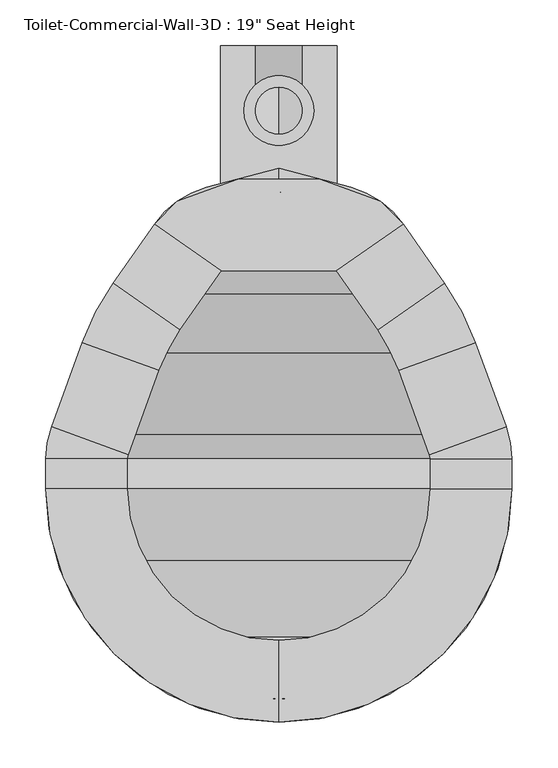
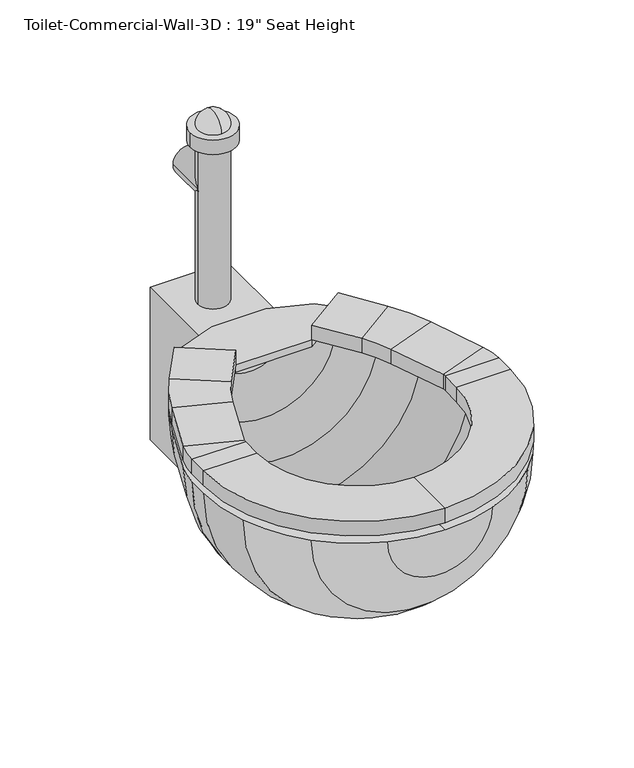
"""IFC4 building model written with IfcOpenShell, lengths in millimetres: flow terminal geometry."""

from ifc_helpers import new_model, si_unit, point, frame, frame_2d, origin, place, context, project, spatial, polyline, circle_curve, ellipse_curve, trimmed, segment, composite_curve, outline, extrude, source, transform, mapped, element, save
from ifc_brep_helpers import plane_surface, cylinder_surface, revolved_surface, advanced_brep


def flow_terminal_96e36c5f(model_context):
    return source(origin(), model_context, "Body", "SolidModel", [
        extrude(outline(polyline([(467.7541169, -346.6347495), (342.0521907, -346.6347495), (269.229574, -295.6438043), (294.1800557, -270.6933226), (360.2423986, -246.6485961), (449.563909, -246.6485961), (515.6262519, -270.6933226), (540.5767337, -295.6438043), (467.7541169, -346.6347495)])), frame((0.0, 0.0, 444.5), z_axis=(0.0, 0.0, 1.0), x_axis=(1.0, 0.0, 0.0)), (0.0, 0.0, 1.0), 12.7),
        advanced_brep(
        [(467.7541169, -346.6347495, 457.2), (467.7541169, -346.6347495, 482.6), (540.5767337, -295.6438043, 482.6), (540.5767337, -295.6438043, 457.2), (585.6810159, -360.0593951, 457.2), (512.8583992, -411.0503403, 457.2), (585.6810159, -360.0593951, 482.6), (512.8583992, -411.0503403, 482.6), (619.360053, -424.7562234, 457.2), (535.821379, -455.1618141, 457.2), (619.360053, -424.7562234, 482.6), (535.821379, -455.1618141, 482.6), (652.7759241, -516.5655747, 457.2), (569.2372501, -546.9711654, 457.2), (652.7759241, -516.5655747, 482.6), (569.2372501, -546.9711654, 482.6), (658.9031538, -551.3148212, 457.2), (570.0031538, -551.3148212, 457.2), (658.9031538, -551.3148212, 482.6), (570.0031538, -551.3148212, 482.6), (658.9031538, -584.2, 457.2), (570.0031538, -584.2, 457.2), (658.9031538, -584.2, 482.6), (570.0031538, -584.2, 482.6), (404.9031538, -838.2, 457.2), (404.9031538, -749.3, 457.2), (404.9031538, -838.2, 482.6), (404.9031538, -749.3, 482.6), (150.9031538, -584.2, 457.2), (239.8031538, -584.2, 457.2), (150.9031538, -584.2, 482.6), (239.8031538, -584.2, 482.6), (150.9031538, -551.3148212, 457.2), (239.8031538, -551.3148212, 457.2), (150.9031538, -551.3148212, 482.6), (239.8031538, -551.3148212, 482.6), (157.0303835, -516.5655747, 457.2), (240.5690575, -546.9711654, 457.2), (157.0303835, -516.5655747, 482.6), (240.5690575, -546.9711654, 482.6), (190.4462546, -424.7562234, 457.2), (273.9849286, -455.1618141, 457.2), (190.4462546, -424.7562234, 482.6), (273.9849286, -455.1618141, 482.6), (224.1252917, -360.0593951, 457.2), (296.9479084, -411.0503403, 457.2), (224.1252917, -360.0593951, 482.6), (296.9479084, -411.0503403, 482.6), (342.0521907, -346.6347495, 457.2), (269.229574, -295.6438043, 457.2), (269.229574, -295.6438043, 482.6), (342.0521907, -346.6347495, 482.6)],
        [
            (0, 1),
            (1, 2),
            (2, 3),
            (3, 0),
            (3, 4),
            (4, 5),
            (5, 0),
            (2, 6),
            (6, 4),
            (1, 7),
            (7, 6),
            (5, 7),
            (8, 9),
            (9, 5, circle_curve(frame((356.8099347, -520.3166514, 457.2), z_axis=(0.0, 0.0, 1.0), x_axis=(0.81915204428899, 0.5735764363510486, 0.0)), 190.5)),
            (4, 8, circle_curve(frame((356.8099347, -520.3166514, 457.2), z_axis=(0.0, 0.0, -1.0), x_axis=(0.81915204428899, 0.5735764363510486, 0.0)), 279.4)),
            (10, 8),
            (6, 10, circle_curve(frame((356.8099347, -520.3166514, 482.6), z_axis=(0.0, 0.0, -1.0), x_axis=(0.81915204428899, 0.5735764363510486, 0.0)), 279.4)),
            (11, 10),
            (7, 11, circle_curve(frame((356.8099347, -520.3166514, 482.6), z_axis=(0.0, 0.0, -1.0), x_axis=(0.81915204428899, 0.5735764363510486, 0.0)), 190.5)),
            (9, 11),
            (8, 12),
            (12, 13),
            (13, 9),
            (10, 14),
            (14, 12),
            (11, 15),
            (15, 14),
            (13, 15),
            (16, 17),
            (17, 13, circle_curve(frame((557.3031538, -551.3148212, 457.2), z_axis=(0.0, 0.0, 1.0), x_axis=(0.939692620785906, 0.34202014332567526, 0.0)), 12.7)),
            (12, 16, circle_curve(frame((557.3031538, -551.3148212, 457.2), z_axis=(0.0, 0.0, -1.0), x_axis=(0.939692620785906, 0.34202014332567526, 0.0)), 101.6)),
            (18, 16),
            (14, 18, circle_curve(frame((557.3031538, -551.3148212, 482.6), z_axis=(0.0, 0.0, -1.0), x_axis=(0.939692620785906, 0.34202014332567526, 0.0)), 101.6)),
            (19, 18),
            (15, 19, circle_curve(frame((557.3031538, -551.3148212, 482.6), z_axis=(0.0, 0.0, -1.0), x_axis=(0.939692620785906, 0.34202014332567526, 0.0)), 12.7)),
            (17, 19),
            (16, 20),
            (20, 21),
            (21, 17),
            (18, 22),
            (22, 20),
            (19, 23),
            (23, 22),
            (21, 23),
            (24, 25),
            (25, 21, circle_curve(frame((404.9031538, -584.2, 457.2), z_axis=(0.0, 0.0, 1.0), x_axis=(1.0, 0.0, 0.0)), 165.1)),
            (20, 24, circle_curve(frame((404.9031538, -584.2, 457.2), z_axis=(0.0, 0.0, -1.0), x_axis=(1.0, 0.0, 0.0)), 254.0)),
            (26, 24),
            (22, 26, circle_curve(frame((404.9031538, -584.2, 482.6), z_axis=(0.0, 0.0, -1.0), x_axis=(1.0, 0.0, 0.0)), 254.0)),
            (27, 26),
            (23, 27, circle_curve(frame((404.9031538, -584.2, 482.6), z_axis=(0.0, 0.0, -1.0), x_axis=(1.0, 0.0, 0.0)), 165.1)),
            (25, 27),
            (28, 29),
            (29, 25, circle_curve(frame((404.9031538, -584.2, 457.2), z_axis=(0.0, 0.0, 1.0), x_axis=(0.0, -1.0, 0.0)), 165.1)),
            (24, 28, circle_curve(frame((404.9031538, -584.2, 457.2), z_axis=(0.0, 0.0, -1.0), x_axis=(0.0, -1.0, 0.0)), 254.0)),
            (30, 28),
            (26, 30, circle_curve(frame((404.9031538, -584.2, 482.6), z_axis=(0.0, 0.0, -1.0), x_axis=(0.0, -1.0, 0.0)), 254.0)),
            (31, 30),
            (27, 31, circle_curve(frame((404.9031538, -584.2, 482.6), z_axis=(0.0, 0.0, -1.0), x_axis=(0.0, -1.0, 0.0)), 165.1)),
            (29, 31),
            (28, 32),
            (32, 33),
            (33, 29),
            (30, 34),
            (34, 32),
            (31, 35),
            (35, 34),
            (33, 35),
            (36, 37),
            (37, 33, circle_curve(frame((252.5031538, -551.3148212, 457.2), z_axis=(0.0, 0.0, 1.0), x_axis=(-1.0, 0.0, 0.0)), 12.7)),
            (32, 36, circle_curve(frame((252.5031538, -551.3148212, 457.2), z_axis=(0.0, 0.0, -1.0), x_axis=(-1.0, 0.0, 0.0)), 101.6)),
            (38, 36),
            (34, 38, circle_curve(frame((252.5031538, -551.3148212, 482.6), z_axis=(0.0, 0.0, -1.0), x_axis=(-1.0, 0.0, 0.0)), 101.6)),
            (39, 38),
            (35, 39, circle_curve(frame((252.5031538, -551.3148212, 482.6), z_axis=(0.0, 0.0, -1.0), x_axis=(-1.0, 0.0, 0.0)), 12.7)),
            (37, 39),
            (36, 40),
            (40, 41),
            (41, 37),
            (38, 42),
            (42, 40),
            (39, 43),
            (43, 42),
            (41, 43),
            (44, 45),
            (45, 41, circle_curve(frame((452.9963729, -520.3166514, 457.2), z_axis=(0.0, 0.0, 1.0), x_axis=(-0.9396926207859088, 0.34202014332566766, 0.0)), 190.5)),
            (40, 44, circle_curve(frame((452.9963729, -520.3166514, 457.2), z_axis=(0.0, 0.0, -1.0), x_axis=(-0.9396926207859088, 0.34202014332566766, 0.0)), 279.4)),
            (46, 44),
            (42, 46, circle_curve(frame((452.9963729, -520.3166514, 482.6), z_axis=(0.0, 0.0, -1.0), x_axis=(-0.9396926207859088, 0.34202014332566766, 0.0)), 279.4)),
            (47, 46),
            (43, 47, circle_curve(frame((452.9963729, -520.3166514, 482.6), z_axis=(0.0, 0.0, -1.0), x_axis=(-0.9396926207859088, 0.34202014332566766, 0.0)), 190.5)),
            (45, 47),
            (48, 49),
            (49, 50),
            (50, 51),
            (51, 48),
            (44, 49),
            (48, 45),
            (46, 50),
            (47, 51),
        ],
        [
            plane_surface(frame((540.5767337, -295.6438043, 541.2203184), z_axis=(-0.5735764363510383, 0.8191520442889972, 0.0), x_axis=(0.8191520442889972, 0.5735764363510383, 0.0))),
            plane_surface(frame((467.7541169, -346.6347495, 457.2), z_axis=(0.0, 0.0, -1.0000000000000002), x_axis=(0.5735764363510385, -0.8191520442889972, 0.0))),
            plane_surface(frame((540.5767337, -295.6438043, 457.2), z_axis=(0.8191520442889972, 0.5735764363510385, 0.0), x_axis=(0.5735764363510385, -0.8191520442889972, 0.0))),
            plane_surface(frame((540.5767337, -295.6438043, 482.6), z_axis=(0.0, 0.0, 1.0), x_axis=(0.5735764363510377, -0.8191520442889978, 0.0))),
            plane_surface(frame((467.7541169, -346.6347495, 482.6), z_axis=(-0.8191520442889979, -0.5735764363510375, 0.0), x_axis=(0.5735764363510375, -0.8191520442889979, 0.0))),
            plane_surface(frame((356.8099347, -520.3166514, 457.2), z_axis=(0.0, 0.0, -1.0), x_axis=(0.81915204428899, 0.5735764363510486, 0.0))),
            cylinder_surface(frame((356.8099347, -520.3166514, 444.5), z_axis=(0.0, 0.0, 1.0), x_axis=(0.81915204428899, 0.5735764363510486, 0.0)), 279.4),
            plane_surface(frame((356.8099347, -520.3166514, 482.6), z_axis=(0.0, 0.0, 1.0), x_axis=(0.81915204428899, 0.5735764363510486, 0.0))),
            revolved_surface(polyline([(512.8583991370526, -411.0503402751252, 482.6), (512.8583991370526, -411.0503402751252, 457.2)]), (356.8099347, -520.3166514, 444.5), (0.0, 0.0, 1.0)),
            plane_surface(frame((535.821379, -455.1618141, 457.2), z_axis=(0.0, 0.0, -1.0), x_axis=(0.3420201433256639, -0.9396926207859102, 0.0))),
            plane_surface(frame((619.360053, -424.7562234, 457.2), z_axis=(0.9396926207859106, 0.3420201433256625, 0.0), x_axis=(0.3420201433256625, -0.9396926207859106, 0.0))),
            plane_surface(frame((619.360053, -424.7562234, 482.6), z_axis=(0.0, 0.0, 1.0), x_axis=(0.3420201433256625, -0.9396926207859106, 0.0))),
            plane_surface(frame((535.821379, -455.1618141, 482.6), z_axis=(-0.9396926207859106, -0.3420201433256626, 0.0), x_axis=(0.3420201433256626, -0.9396926207859106, 0.0))),
            plane_surface(frame((557.3031538, -551.3148212, 457.2), z_axis=(0.0, 0.0, -1.0), x_axis=(0.939692620785906, 0.34202014332567526, 0.0))),
            cylinder_surface(frame((557.3031538, -551.3148212, 444.5), z_axis=(0.0, 0.0, 1.0), x_axis=(0.939692620785906, 0.34202014332567526, 0.0)), 101.6),
            plane_surface(frame((557.3031538, -551.3148212, 482.6), z_axis=(0.0, 0.0, 1.0), x_axis=(0.939692620785906, 0.34202014332567526, 0.0))),
            revolved_surface(polyline([(569.237250083981, -546.9711653797639, 482.6), (569.237250083981, -546.9711653797639, 457.2)]), (557.3031538, -551.3148212, 444.5), (0.0, 0.0, 1.0)),
            plane_surface(frame((570.0031538, -551.3148212, 457.2), z_axis=(0.0, 0.0, -1.0), x_axis=(0.0, -1.0, 0.0))),
            plane_surface(frame((658.9031538, -551.3148212, 457.2), z_axis=(1.0, 0.0, 0.0), x_axis=(0.0, -1.0, 0.0))),
            plane_surface(frame((658.9031538, -551.3148212, 482.6), z_axis=(0.0, 0.0, 1.0), x_axis=(0.0, -1.0, 0.0))),
            plane_surface(frame((570.0031538, -551.3148212, 482.6), z_axis=(-1.0, 0.0, 0.0), x_axis=(0.0, -1.0, 0.0))),
            plane_surface(frame((404.9031538, -584.2, 457.2), z_axis=(0.0, 0.0, -1.0), x_axis=(1.0, 0.0, 0.0))),
            cylinder_surface(frame((404.9031538, -584.2, 444.5), z_axis=(0.0, 0.0, 1.0), x_axis=(1.0, 0.0, 0.0)), 254.0),
            plane_surface(frame((404.9031538, -584.2, 482.6), z_axis=(0.0, 0.0, 1.0), x_axis=(1.0, 0.0, 0.0))),
            revolved_surface(polyline([(570.0031538, -584.2, 482.6), (570.0031538, -584.2, 457.2)]), (404.9031538, -584.2, 444.5), (0.0, 0.0, 1.0)),
            plane_surface(frame((404.9031538, -584.2, 457.2), z_axis=(0.0, 0.0, -1.0), x_axis=(0.0, -1.0, 0.0))),
            cylinder_surface(frame((404.9031538, -584.2, 444.5), z_axis=(0.0, 0.0, 1.0), x_axis=(0.0, -1.0, 0.0)), 254.0),
            plane_surface(frame((404.9031538, -584.2, 482.6), z_axis=(0.0, 0.0, 1.0), x_axis=(0.0, -1.0, 0.0))),
            revolved_surface(polyline([(404.9031538, -749.3000000000001, 482.6), (404.9031538, -749.3000000000001, 457.2)]), (404.9031538, -584.2, 444.5), (0.0, 0.0, 1.0)),
            plane_surface(frame((239.8031538, -584.2, 457.2), z_axis=(0.0, 0.0, -1.0), x_axis=(0.0, 1.0, 0.0))),
            plane_surface(frame((150.9031538, -584.2, 457.2), z_axis=(-1.0, 0.0, 0.0), x_axis=(0.0, 1.0, 0.0))),
            plane_surface(frame((150.9031538, -584.2, 482.6), z_axis=(0.0, 0.0, 1.0), x_axis=(0.0, 1.0, 0.0))),
            plane_surface(frame((239.8031538, -584.2, 482.6), z_axis=(1.0, 0.0, 0.0), x_axis=(0.0, 1.0, 0.0))),
            plane_surface(frame((252.5031538, -551.3148212, 457.2), z_axis=(0.0, 0.0, -1.0), x_axis=(-1.0, 0.0, 0.0))),
            cylinder_surface(frame((252.5031538, -551.3148212, 444.5), z_axis=(0.0, 0.0, 1.0), x_axis=(-1.0, 0.0, 0.0)), 101.6),
            plane_surface(frame((252.5031538, -551.3148212, 482.6), z_axis=(0.0, 0.0, 1.0), x_axis=(-1.0, 0.0, 0.0))),
            revolved_surface(polyline([(239.80315380000002, -551.3148212, 482.6), (239.80315380000002, -551.3148212, 457.2)]), (252.5031538, -551.3148212, 444.5), (0.0, 0.0, 1.0)),
            plane_surface(frame((240.5690575, -546.9711654, 457.2), z_axis=(0.0, 0.0, -1.0000000000000002), x_axis=(0.34202014332565656, 0.9396926207859129, 0.0))),
            plane_surface(frame((157.0303835, -516.5655747, 457.2), z_axis=(-0.9396926207859131, 0.3420201433256559, 0.0), x_axis=(0.3420201433256559, 0.9396926207859131, 0.0))),
            plane_surface(frame((157.0303835, -516.5655747, 482.6), z_axis=(0.0, 0.0, 1.0), x_axis=(0.34202014332565644, 0.9396926207859129, 0.0))),
            plane_surface(frame((240.5690575, -546.9711654, 482.6), z_axis=(0.9396926207859131, -0.342020143325656, 0.0), x_axis=(0.342020143325656, 0.9396926207859131, 0.0))),
            plane_surface(frame((452.9963729, -520.3166514, 457.2), z_axis=(0.0, 0.0, -1.0), x_axis=(-0.9396926207859088, 0.34202014332566766, 0.0))),
            cylinder_surface(frame((452.9963729, -520.3166514, 444.5), z_axis=(0.0, 0.0, 1.0), x_axis=(-0.9396926207859088, 0.34202014332566766, 0.0)), 279.4),
            plane_surface(frame((452.9963729, -520.3166514, 482.6), z_axis=(0.0, 0.0, 1.0), x_axis=(-0.9396926207859088, 0.34202014332566766, 0.0))),
            revolved_surface(polyline([(273.98492864028435, -455.16181409646026, 482.6), (273.98492864028435, -455.16181409646026, 457.2)]), (452.9963729, -520.3166514, 444.5), (0.0, 0.0, 1.0)),
            plane_surface(frame((269.229574, -295.6438043, 347.7796816), z_axis=(0.5735764363510499, 0.8191520442889891, 0.0), x_axis=(0.8191520442889891, -0.5735764363510499, 0.0))),
            plane_surface(frame((296.9479084, -411.0503403, 457.2), z_axis=(0.0, 0.0, -1.0000000000000002), x_axis=(0.5735764363510504, 0.8191520442889889, 0.0))),
            plane_surface(frame((224.1252917, -360.0593951, 457.2), z_axis=(-0.8191520442889888, 0.5735764363510505, 0.0), x_axis=(0.5735764363510505, 0.8191520442889888, 0.0))),
            plane_surface(frame((224.1252917, -360.0593951, 482.6), z_axis=(0.0, 0.0, 1.0000000000000002), x_axis=(0.5735764363510504, 0.8191520442889889, 0.0))),
            plane_surface(frame((296.9479084, -411.0503403, 482.6), z_axis=(0.8191520442889891, -0.57357643635105, 0.0), x_axis=(0.57357643635105, 0.8191520442889891, 0.0))),
        ],
        [
            (0, [[1, 2, 3, 4]]),
            (1, [[5, 6, 7, -4]]),
            (2, [[8, 9, -5, -3]]),
            (3, [[10, 11, -8, -2]]),
            (4, [[-7, 12, -10, -1]]),
            (5, [[13, 14, -6, 15]]),
            (6, [[16, -15, -9, 17]]),
            (7, [[18, -17, -11, 19]]),
            (8, [[20, -19, -12, -14]]),
            (9, [[21, 22, 23, -13]]),
            (10, [[24, 25, -21, -16]]),
            (11, [[26, 27, -24, -18]]),
            (12, [[-23, 28, -26, -20]]),
            (13, [[29, 30, -22, 31]]),
            (14, [[32, -31, -25, 33]]),
            (15, [[34, -33, -27, 35]]),
            (16, [[36, -35, -28, -30]]),
            (17, [[37, 38, 39, -29]]),
            (18, [[40, 41, -37, -32]]),
            (19, [[42, 43, -40, -34]]),
            (20, [[-39, 44, -42, -36]]),
            (21, [[45, 46, -38, 47]]),
            (22, [[48, -47, -41, 49]]),
            (23, [[50, -49, -43, 51]]),
            (24, [[52, -51, -44, -46]]),
            (25, [[53, 54, -45, 55]]),
            (26, [[56, -55, -48, 57]]),
            (27, [[58, -57, -50, 59]]),
            (28, [[60, -59, -52, -54]]),
            (29, [[61, 62, 63, -53]]),
            (30, [[64, 65, -61, -56]]),
            (31, [[66, 67, -64, -58]]),
            (32, [[-63, 68, -66, -60]]),
            (33, [[69, 70, -62, 71]]),
            (34, [[72, -71, -65, 73]]),
            (35, [[74, -73, -67, 75]]),
            (36, [[76, -75, -68, -70]]),
            (37, [[77, 78, 79, -69]]),
            (38, [[80, 81, -77, -72]]),
            (39, [[82, 83, -80, -74]]),
            (40, [[-79, 84, -82, -76]]),
            (41, [[85, 86, -78, 87]]),
            (42, [[88, -87, -81, 89]]),
            (43, [[90, -89, -83, 91]]),
            (44, [[92, -91, -84, -86]]),
            (45, [[93, 94, 95, 96]]),
            (46, [[97, -93, 98, -85]]),
            (47, [[99, -94, -97, -88]]),
            (48, [[100, -95, -99, -90]]),
            (49, [[-98, -96, -100, -92]]),
        ],
    ),
        advanced_brep(
        [(491.7762702, -822.8819257, 444.5), (584.5082762, -763.8051224, 444.5), (643.5850795, -671.0731164, 444.5), (658.9031538, -584.2, 444.5), (658.9031538, -551.3148212, 444.5), (652.7759241, -516.5655747, 444.5), (619.360053, -424.7562234, 444.5), (585.6810159, -360.0593951, 444.5), (540.5767337, -295.6438043, 444.5), (483.6469009, -255.7811063, 444.5), (404.9031538, -234.6817829, 444.5), (404.9031538, -260.9777978, 444.5), (468.1430637, -277.9228806, 444.5), (525.0728964, -317.7855786, 444.5), (562.9565296, -371.8890139, 444.5), (596.6355667, -436.5858422, 444.5), (628.9077315, -525.2528863, 444.5), (633.5031538, -551.3148212, 444.5), (633.5031538, -584.2, 444.5), (619.7168869, -662.3858048, 444.5), (566.547764, -745.8446102, 444.5), (483.0889586, -799.0137331, 444.5), (404.9031538, -812.8, 444.5), (404.9031538, -838.2, 444.5), (318.0300374, -822.8819257, 444.5), (326.7173491, -799.0137331, 444.5), (243.2585436, -745.8446102, 444.5), (190.0894207, -662.3858048, 444.5), (176.3031538, -584.2, 444.5), (176.3031538, -551.3148212, 444.5), (180.8985761, -525.2528863, 444.5), (213.1707409, -436.5858422, 444.5), (246.849778, -371.8890139, 444.5), (284.7334112, -317.7855786, 444.5), (341.663244, -277.9228806, 444.5), (326.1594067, -255.7811063, 444.5), (269.229574, -295.6438043, 444.5), (224.1252917, -360.0593951, 444.5), (190.4462546, -424.7562234, 444.5), (157.0303835, -516.5655747, 444.5), (150.9031538, -551.3148212, 444.5), (150.9031538, -584.2, 444.5), (166.2212281, -671.0731164, 444.5), (225.2980314, -763.8051224, 444.5)],
        [
            (0, 1, circle_curve(frame((404.9031538, -584.2, 444.5), z_axis=(0.0, 0.0, 1.0), x_axis=(1.0, 0.0, 0.0)), 254.0)),
            (1, 2, circle_curve(frame((404.9031538, -584.2, 444.5), z_axis=(0.0, 0.0, 1.0), x_axis=(1.0, 0.0, 0.0)), 254.0)),
            (2, 3, circle_curve(frame((404.9031538, -584.2, 444.5), z_axis=(0.0, 0.0, 1.0), x_axis=(1.0, 0.0, 0.0)), 254.0)),
            (3, 4),
            (4, 5, circle_curve(frame((557.3031538, -551.3148212, 444.5), z_axis=(0.0, 0.0, 1.0), x_axis=(1.0, 0.0, 0.0)), 101.6)),
            (5, 6),
            (6, 7, circle_curve(frame((356.8099347, -520.3166514, 444.5), z_axis=(0.0, 0.0, 1.0), x_axis=(1.0, 0.0, 0.0)), 279.4)),
            (7, 8),
            (8, 9, circle_curve(frame((457.350886, -353.9191703, 444.5), z_axis=(0.0, 0.0, 1.0), x_axis=(1.0, 0.0, 0.0)), 101.6)),
            (9, 10),
            (10, 11),
            (11, 12),
            (12, 13, circle_curve(frame((441.8470487, -376.0609446, 444.5), z_axis=(0.0, 0.0, -1.0), x_axis=(1.0, 0.0, 0.0)), 101.6)),
            (13, 14),
            (14, 15, circle_curve(frame((334.0854485, -532.1462703, 444.5), z_axis=(0.0, 0.0, -1.0), x_axis=(1.0, 0.0, 0.0)), 279.4)),
            (15, 16),
            (16, 17, circle_curve(frame((557.3031538, -551.3148212, 444.5), z_axis=(0.0, 0.0, -1.0), x_axis=(1.0, 0.0, 0.0)), 76.2)),
            (17, 18),
            (18, 19, circle_curve(frame((404.9031538, -584.2, 444.5), z_axis=(0.0, 0.0, -1.0), x_axis=(1.0, 0.0, 0.0)), 228.6)),
            (19, 20, circle_curve(frame((404.9031538, -584.2, 444.5), z_axis=(0.0, 0.0, -1.0), x_axis=(1.0, 0.0, 0.0)), 228.6)),
            (20, 21, circle_curve(frame((404.9031538, -584.2, 444.5), z_axis=(0.0, 0.0, -1.0), x_axis=(1.0, 0.0, 0.0)), 228.6)),
            (21, 22, circle_curve(frame((404.9031538, -584.2, 444.5), z_axis=(0.0, 0.0, -1.0), x_axis=(1.0, 0.0, 0.0)), 228.6)),
            (22, 23),
            (23, 0, circle_curve(frame((404.9031538, -584.2, 444.5), z_axis=(0.0, 0.0, 1.0), x_axis=(1.0, 0.0, 0.0)), 254.0)),
            (24, 23, circle_curve(frame((404.9031538, -584.2, 444.5), z_axis=(0.0, 0.0, 1.0), x_axis=(-1.0, 0.0, 0.0)), 254.0)),
            (22, 25, circle_curve(frame((404.9031538, -584.2, 444.5), z_axis=(0.0, 0.0, -1.0), x_axis=(-1.0, 0.0, 0.0)), 228.6)),
            (25, 26, circle_curve(frame((404.9031538, -584.2, 444.5), z_axis=(0.0, 0.0, -1.0), x_axis=(-1.0, 0.0, 0.0)), 228.6)),
            (26, 27, circle_curve(frame((404.9031538, -584.2, 444.5), z_axis=(0.0, 0.0, -1.0), x_axis=(-1.0, 0.0, 0.0)), 228.6)),
            (27, 28, circle_curve(frame((404.9031538, -584.2, 444.5), z_axis=(0.0, 0.0, -1.0), x_axis=(-1.0, 0.0, 0.0)), 228.6)),
            (28, 29),
            (29, 30, circle_curve(frame((252.5031538, -551.3148212, 444.5), z_axis=(0.0, 0.0, -1.0), x_axis=(-1.0, 0.0, 0.0)), 76.2)),
            (30, 31),
            (31, 32, circle_curve(frame((475.7208592, -532.1462703, 444.5), z_axis=(0.0, 0.0, -1.0), x_axis=(-1.0, 0.0, 0.0)), 279.4)),
            (32, 33),
            (33, 34, circle_curve(frame((367.9592589, -376.0609446, 444.5), z_axis=(0.0, 0.0, -1.0), x_axis=(-1.0, 0.0, 0.0)), 101.6)),
            (34, 11),
            (10, 35),
            (35, 36, circle_curve(frame((352.4554217, -353.9191703, 444.5), z_axis=(0.0, 0.0, 1.0), x_axis=(-1.0, 0.0, 0.0)), 101.6)),
            (36, 37),
            (37, 38, circle_curve(frame((452.9963729, -520.3166514, 444.5), z_axis=(0.0, 0.0, 1.0), x_axis=(-1.0, 0.0, 0.0)), 279.4)),
            (38, 39),
            (39, 40, circle_curve(frame((252.5031538, -551.3148212, 444.5), z_axis=(0.0, 0.0, 1.0), x_axis=(-1.0, 0.0, 0.0)), 101.6)),
            (40, 41),
            (41, 42, circle_curve(frame((404.9031538, -584.2, 444.5), z_axis=(0.0, 0.0, 1.0), x_axis=(-1.0, 0.0, 0.0)), 254.0)),
            (42, 43, circle_curve(frame((404.9031538, -584.2, 444.5), z_axis=(0.0, 0.0, 1.0), x_axis=(-1.0, 0.0, 0.0)), 254.0)),
            (43, 24, circle_curve(frame((404.9031538, -584.2, 444.5), z_axis=(0.0, 0.0, 1.0), x_axis=(-1.0, 0.0, 0.0)), 254.0)),
            (24, 0, circle_curve(frame((404.9031538, -822.8819257, 444.5), z_axis=(0.0, -1.0, 0.0), x_axis=(1.0, 0.0, 0.0)), 86.8731164)),
            (21, 25, circle_curve(frame((404.9031538, -799.0137331, 444.5), z_axis=(0.0, 1.0, 0.0), x_axis=(1.0, 0.0, 0.0)), 78.1858048)),
            (20, 26, circle_curve(frame((404.9031538, -745.8446102, 444.5), z_axis=(0.0, 1.0, 0.0), x_axis=(1.0, 0.0, 0.0)), 161.6446102)),
            (19, 27, circle_curve(frame((404.9031538, -662.3858048, 444.5), z_axis=(0.0, 1.0, 0.0), x_axis=(1.0, 0.0, 0.0)), 214.8137331)),
            (18, 28, circle_curve(frame((404.9031538, -584.2, 444.5), z_axis=(0.0, 1.0, 0.0), x_axis=(1.0, 0.0, 0.0)), 228.6)),
            (17, 29, circle_curve(frame((404.9031538, -551.3148212, 444.5), z_axis=(0.0, 1.0, 0.0), x_axis=(1.0, 0.0, 0.0)), 228.6)),
            (16, 30, circle_curve(frame((404.9031538, -525.2528863, 444.5), z_axis=(0.0, 1.0, 0.0), x_axis=(1.0, 0.0, 0.0)), 224.0045777)),
            (15, 31, circle_curve(frame((404.9031538, -436.5858422, 444.5), z_axis=(0.0, 1.0, 0.0), x_axis=(1.0, 0.0, 0.0)), 191.7324129)),
            (14, 32, circle_curve(frame((404.9031538, -371.8890139, 444.5), z_axis=(0.0, 1.0, 0.0), x_axis=(1.0, 0.0, 0.0)), 158.0533758)),
            (13, 33, circle_curve(frame((404.9031538, -317.7855786, 444.5), z_axis=(0.0, 1.0, 0.0), x_axis=(1.0, 0.0, 0.0)), 120.1697426)),
            (12, 34, circle_curve(frame((404.9031538, -277.9228806, 444.5), z_axis=(0.0, 1.0, 0.0), x_axis=(1.0, 0.0, 0.0)), 63.2399099)),
            (9, 35, circle_curve(frame((404.9031538, -255.7811063, 444.5), z_axis=(0.0, 1.0, 0.0), x_axis=(1.0, 0.0, 0.0)), 78.7437471)),
            (8, 36, circle_curve(frame((404.9031538, -295.6438043, 444.5), z_axis=(0.0, 1.0, 0.0), x_axis=(1.0, 0.0, 0.0)), 135.6735798)),
            (7, 37, circle_curve(frame((404.9031538, -360.0593951, 444.5), z_axis=(0.0, 1.0, 0.0), x_axis=(1.0, 0.0, 0.0)), 180.7778621)),
            (6, 38, circle_curve(frame((404.9031538, -424.7562234, 444.5), z_axis=(0.0, 1.0, 0.0), x_axis=(1.0, 0.0, 0.0)), 214.4568992)),
            (5, 39, circle_curve(frame((404.9031538, -516.5655747, 444.5), z_axis=(0.0, 1.0, 0.0), x_axis=(1.0, 0.0, 0.0)), 247.8727703)),
            (4, 40, circle_curve(frame((404.9031538, -551.3148212, 444.5), z_axis=(0.0, 1.0, 0.0), x_axis=(1.0, 0.0, 0.0)), 254.0)),
            (3, 41, circle_curve(frame((404.9031538, -584.2, 444.5), z_axis=(0.0, 1.0, 0.0), x_axis=(1.0, 0.0, 0.0)), 254.0)),
            (2, 42, circle_curve(frame((404.9031538, -671.0731164, 444.5), z_axis=(0.0, 1.0, 0.0), x_axis=(1.0, 0.0, 0.0)), 238.6819257)),
            (1, 43, circle_curve(frame((404.9031538, -763.8051224, 444.5), z_axis=(0.0, 1.0, 0.0), x_axis=(1.0, 0.0, 0.0)), 179.6051224)),
        ],
        [
            plane_surface(frame((404.9031538, -943.4102448, 444.5), z_axis=(0.0, 0.0, 1.0), x_axis=(1.0, 0.0, 0.0))),
            plane_surface(frame((404.9031538, -943.4102448, 444.5), z_axis=(0.0, 0.0, 1.0), x_axis=(-1.0, 0.0, 0.0))),
            revolved_surface(trimmed(ellipse_curve(frame((404.9031538, -584.2, 444.5), z_axis=(0.0, 0.0, -1.0), x_axis=(1.0, 0.0, 0.0)), 254.0, 254.0), [point((491.7762702, -822.8819257, 444.5))], [point((404.9031538, -838.2, 444.5))], True, "CARTESIAN"), (404.9031538, -943.4102448, 444.5), (0.0, -1.0, 0.0)),
            revolved_surface(trimmed(ellipse_curve(frame((404.9031538, -584.2, 444.5), z_axis=(0.0, 0.0, 1.0), x_axis=(1.0, 0.0, 0.0)), 228.6, 228.6), [point((404.9031538, -812.8, 444.5))], [point((483.0889586, -799.0137331, 444.5))], True, "CARTESIAN"), (404.9031538, -943.4102448, 444.5), (0.0, -1.0, 0.0)),
            revolved_surface(trimmed(ellipse_curve(frame((404.9031538, -584.2, 444.5), z_axis=(0.0, 0.0, 1.0), x_axis=(1.0, 0.0, 0.0)), 228.6, 228.6), [point((483.0889586, -799.0137331, 444.5))], [point((566.547764, -745.8446102, 444.5))], True, "CARTESIAN"), (404.9031538, -943.4102448, 444.5), (0.0, -1.0, 0.0)),
            revolved_surface(trimmed(ellipse_curve(frame((404.9031538, -584.2, 444.5), z_axis=(0.0, 0.0, 1.0), x_axis=(1.0, 0.0, 0.0)), 228.6, 228.6), [point((566.547764, -745.8446102, 444.5))], [point((619.7168869, -662.3858048, 444.5))], True, "CARTESIAN"), (404.9031538, -943.4102448, 444.5), (0.0, -1.0, 0.0)),
            revolved_surface(trimmed(ellipse_curve(frame((404.9031538, -584.2, 444.5), z_axis=(0.0, 0.0, 1.0), x_axis=(1.0, 0.0, 0.0)), 228.6, 228.6), [point((619.7168869, -662.3858048, 444.5))], [point((633.5031538, -584.2, 444.5))], True, "CARTESIAN"), (404.9031538, -943.4102448, 444.5), (0.0, -1.0, 0.0)),
            revolved_surface(polyline([(633.5031538, -584.2, 444.5), (633.5031538, -551.3148212, 444.5)]), (404.9031538, -943.4102448, 444.5), (0.0, -1.0, 0.0)),
            revolved_surface(trimmed(ellipse_curve(frame((557.3031538, -551.3148212, 444.5), z_axis=(0.0, 0.0, 1.0), x_axis=(1.0, 0.0, 0.0)), 76.2, 76.2), [point((633.5031538, -551.3148212, 444.5))], [point((628.9077315, -525.2528863, 444.5))], True, "CARTESIAN"), (404.9031538, -943.4102448, 444.5), (0.0, -1.0, 0.0)),
            revolved_surface(polyline([(628.9077315, -525.2528863, 444.5), (596.6355667, -436.5858422, 444.5)]), (404.9031538, -943.4102448, 444.5), (0.0, -1.0, 0.0)),
            revolved_surface(trimmed(ellipse_curve(frame((334.0854485, -532.1462703, 444.5), z_axis=(0.0, 0.0, 1.0), x_axis=(1.0, 0.0, 0.0)), 279.4, 279.4), [point((596.6355667, -436.5858422, 444.5))], [point((562.9565296, -371.8890139, 444.5))], True, "CARTESIAN"), (404.9031538, -943.4102448, 444.5), (0.0, -1.0, 0.0)),
            revolved_surface(polyline([(562.9565296, -371.8890139, 444.5), (525.0728964, -317.7855786, 444.5)]), (404.9031538, -943.4102448, 444.5), (0.0, -1.0, 0.0)),
            revolved_surface(trimmed(ellipse_curve(frame((441.8470487, -376.0609446, 444.5), z_axis=(0.0, 0.0, 1.0), x_axis=(1.0, 0.0, 0.0)), 101.6, 101.6), [point((525.0728964, -317.7855786, 444.5))], [point((468.1430637, -277.9228806, 444.5))], True, "CARTESIAN"), (404.9031538, -943.4102448, 444.5), (0.0, -1.0, 0.0)),
            revolved_surface(polyline([(468.1430637, -277.9228806, 444.5), (404.9031538, -260.9777978, 444.5)]), (404.9031538, -943.4102448, 444.5), (0.0, -1.0, 0.0)),
            revolved_surface(polyline([(404.9031538, -234.6817829, 444.5), (483.6469009, -255.7811063, 444.5)]), (404.9031538, -943.4102448, 444.5), (0.0, -1.0, 0.0)),
            revolved_surface(trimmed(ellipse_curve(frame((457.350886, -353.9191703, 444.5), z_axis=(0.0, 0.0, -1.0), x_axis=(1.0, 0.0, 0.0)), 101.6, 101.6), [point((483.6469009, -255.7811063, 444.5))], [point((540.5767337, -295.6438043, 444.5))], True, "CARTESIAN"), (404.9031538, -943.4102448, 444.5), (0.0, -1.0, 0.0)),
            revolved_surface(polyline([(540.5767337, -295.6438043, 444.5), (585.6810159, -360.0593951, 444.5)]), (404.9031538, -943.4102448, 444.5), (0.0, -1.0, 0.0)),
            revolved_surface(trimmed(ellipse_curve(frame((356.8099347, -520.3166514, 444.5), z_axis=(0.0, 0.0, -1.0), x_axis=(1.0, 0.0, 0.0)), 279.4, 279.4), [point((585.6810159, -360.0593951, 444.5))], [point((619.360053, -424.7562234, 444.5))], True, "CARTESIAN"), (404.9031538, -943.4102448, 444.5), (0.0, -1.0, 0.0)),
            revolved_surface(polyline([(619.360053, -424.7562234, 444.5), (652.7759241, -516.5655747, 444.5)]), (404.9031538, -943.4102448, 444.5), (0.0, -1.0, 0.0)),
            revolved_surface(trimmed(ellipse_curve(frame((557.3031538, -551.3148212, 444.5), z_axis=(0.0, 0.0, -1.0), x_axis=(1.0, 0.0, 0.0)), 101.6, 101.6), [point((652.7759241, -516.5655747, 444.5))], [point((658.9031538, -551.3148212, 444.5))], True, "CARTESIAN"), (404.9031538, -943.4102448, 444.5), (0.0, -1.0, 0.0)),
            cylinder_surface(frame((404.9031538, -943.4102448, 444.5), z_axis=(0.0, -1.0, 0.0), x_axis=(1.0, 0.0, 0.0)), 254.0),
            revolved_surface(trimmed(ellipse_curve(frame((404.9031538, -584.2, 444.5), z_axis=(0.0, 0.0, -1.0), x_axis=(1.0, 0.0, 0.0)), 254.0, 254.0), [point((658.9031538, -584.2, 444.5))], [point((643.5850795, -671.0731164, 444.5))], True, "CARTESIAN"), (404.9031538, -943.4102448, 444.5), (0.0, -1.0, 0.0)),
            revolved_surface(trimmed(ellipse_curve(frame((404.9031538, -584.2, 444.5), z_axis=(0.0, 0.0, -1.0), x_axis=(1.0, 0.0, 0.0)), 254.0, 254.0), [point((643.5850795, -671.0731164, 444.5))], [point((584.5082762, -763.8051224, 444.5))], True, "CARTESIAN"), (404.9031538, -943.4102448, 444.5), (0.0, -1.0, 0.0)),
            revolved_surface(trimmed(ellipse_curve(frame((404.9031538, -584.2, 444.5), z_axis=(0.0, 0.0, -1.0), x_axis=(1.0, 0.0, 0.0)), 254.0, 254.0), [point((584.5082762, -763.8051224, 444.5))], [point((491.7762702, -822.8819257, 444.5))], True, "CARTESIAN"), (404.9031538, -943.4102448, 444.5), (0.0, -1.0, 0.0)),
        ],
        [
            (0, [[1, 2, 3, 4, 5, 6, 7, 8, 9, 10, 11, 12, 13, 14, 15, 16, 17, 18, 19, 20, 21, 22, 23, 24]]),
            (1, [[25, -23, 26, 27, 28, 29, 30, 31, 32, 33, 34, 35, 36, -11, 37, 38, 39, 40, 41, 42, 43, 44, 45, 46]]),
            (2, [[-25, 47, -24]]),
            (3, [[-26, -22, 48]]),
            (4, [[-27, -48, -21, 49]]),
            (5, [[-28, -49, -20, 50]]),
            (6, [[-29, -50, -19, 51]]),
            (7, [[-30, -51, -18, 52]]),
            (8, [[-31, -52, -17, 53]]),
            (9, [[-32, -53, -16, 54]]),
            (10, [[-33, -54, -15, 55]]),
            (11, [[-34, -55, -14, 56]]),
            (12, [[-35, -56, -13, 57]]),
            (13, [[-36, -57, -12]]),
            (14, [[-37, -10, 58]]),
            (15, [[-38, -58, -9, 59]]),
            (16, [[-39, -59, -8, 60]]),
            (17, [[-40, -60, -7, 61]]),
            (18, [[-41, -61, -6, 62]]),
            (19, [[-42, -62, -5, 63]]),
            (20, [[-43, -63, -4, 64]]),
            (21, [[-44, -64, -3, 65]]),
            (22, [[-45, -65, -2, 66]]),
            (23, [[-46, -66, -1, -47]]),
        ],
    ),
        advanced_brep(
        [(404.9031538, -146.5176912, 749.3), (404.9031538, -172.1352737, 774.9175826), (404.9031538, -197.7528563, 749.3), (404.9031538, -172.1352737, 749.3)],
        [
            (0, 1, circle_curve(frame((404.9031538, -172.1352737, 749.3), z_axis=(1.0, 0.0, 0.0), x_axis=(0.0, -1.0, 0.0)), 25.6175826)),
            (1, 2, circle_curve(frame((404.9031538, -172.1352737, 749.3), z_axis=(1.0, 0.0, 0.0), x_axis=(0.0, 1.0, 0.0)), 25.6175826)),
            (2, 0, circle_curve(frame((404.9031538, -172.1352737, 749.3), z_axis=(0.0, 0.0, 1.0), x_axis=(0.0, -1.0, 0.0)), 25.6175826)),
            (0, 2, circle_curve(frame((404.9031538, -172.1352737, 749.3), z_axis=(0.0, 0.0, 1.0), x_axis=(0.0, -1.0, 0.0)), 25.6175826)),
            (3, 0),
            (2, 3),
        ],
        [
            revolved_surface(trimmed(ellipse_curve(frame((404.9031538, -172.1352737, 749.3), z_axis=(1.0, 0.0, 0.0), x_axis=(0.0, 1.0, 0.0)), 25.6175826, 25.6175826), [point((404.9031538, -172.1352737, 774.9175826))], [point((404.9031538, -197.7528563, 749.3))], True, "CARTESIAN"), (404.9031538, -172.1352737, 813.9277273), (0.0, 0.0, -1.0)),
            plane_surface(frame((404.9031538, -172.1352737, 749.3), z_axis=(0.0, 0.0, -1.0), x_axis=(0.0, -1.0, 0.0))),
        ],
        [
            (0, [[1, 2, 3]]),
            (0, [[-2, -1, 4]]),
            (1, [[5, -3, 6]]),
            (1, [[-6, -4, -5]]),
        ],
    ),
        extrude(outline(composite_curve([segment(trimmed(circle_curve(frame_2d((404.9031538, -172.1352737)), 38.1), [point((366.8031538, -172.1352737))], [point((443.0031538, -172.1352737))], False, "CARTESIAN"), True, "CONTINUOUS"), segment(trimmed(circle_curve(frame_2d((404.9031538, -172.1352737)), 38.1), [point((443.0031538, -172.1352737))], [point((366.8031538, -172.1352737))], False, "CARTESIAN"), True, "CONTINUOUS")], self_intersect=False)), frame((0.0, 0.0, 723.9), z_axis=(0.0, 0.0, 1.0), x_axis=(1.0, 0.0, 0.0)), (0.0, 0.0, 1.0), 25.4),
        extrude(outline(composite_curve([segment(trimmed(circle_curve(frame_2d((645.8113641, 404.9031538)), 25.4), [point((645.8113641, 379.5031538))], [point((645.8113641, 430.3031538))], False, "CARTESIAN"), True, "CONTINUOUS"), segment(trimmed(circle_curve(frame_2d((645.8113641, 404.9031538)), 25.4), [point((645.8113641, 430.3031538))], [point((645.8113641, 379.5031538))], False, "CARTESIAN"), True, "CONTINUOUS")], self_intersect=False)), frame((0.0, -172.24375, 0.0), z_axis=(0.0, 1.0, 0.0), x_axis=(0.0, 0.0, 1.0)), (0.0, 0.0, 1.0), 70.64375),
        extrude(outline(composite_curve([segment(trimmed(circle_curve(frame_2d((404.9031538, -172.1352737)), 25.4), [point((379.5031538, -172.1352737))], [point((430.3031538, -172.1352737))], False, "CARTESIAN"), True, "CONTINUOUS"), segment(trimmed(circle_curve(frame_2d((404.9031538, -172.1352737)), 25.4), [point((430.3031538, -172.1352737))], [point((379.5031538, -172.1352737))], False, "CARTESIAN"), True, "CONTINUOUS")], self_intersect=False)), frame((0.0, 0.0, 444.5), z_axis=(0.0, 0.0, 1.0), x_axis=(1.0, 0.0, 0.0)), (0.0, 0.0, 1.0), 279.4),
        extrude(outline(polyline([(-254.4037941, 444.5), (-101.6, 444.5), (-101.6, 177.8), (-321.6454017, 177.8), (-402.1426282, 235.6328588), (-298.1103185, 308.4770663), (-254.4037941, 370.896452), (-254.4037941, 444.5)])), frame((341.4031538, 0.0, 0.0), z_axis=(1.0, 0.0, 0.0), x_axis=(0.0, 1.0, 0.0)), (0.0, 0.0, 1.0), 127.0),
    ])


if __name__ == "__main__":
    model = new_model("IFC4")
    model_context = context("Model", 3, world=origin())
    ifc_project = project(units=[si_unit("LENGTHUNIT", "METRE", prefix="MILLI")], contexts=[model_context])
    site = spatial("IfcSite", under=ifc_project)
    building = spatial("IfcBuilding", under=site)
    placement = place(None, origin())
    flow_terminal_shape = flow_terminal_96e36c5f(model_context)
    element("IfcFlowTerminal", 1, ObjectType="Toilet-Commercial-Wall-3D : 19\" Seat Height", at=placement, inside=building, context=model_context, shape_type="MappedRepresentation", body=[
        mapped(flow_terminal_shape, transform((0.0, 0.0, 0.0), x_axis=(1.0, 0.0, 0.0), y_axis=(0.0, 1.0, 0.0), z_axis=(0.0, 0.0, 1.0))),
    ])
    save(model, "model.ifc")
